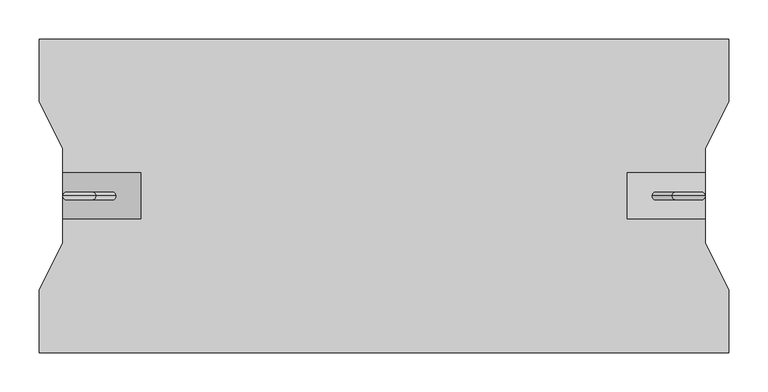
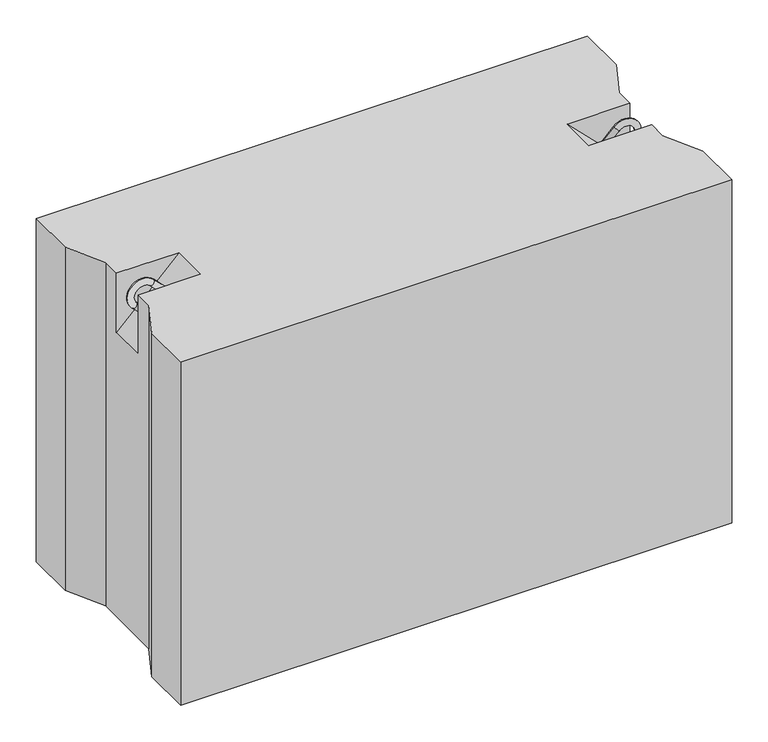
"""IFC4 building model written with IfcOpenShell, lengths in millimetres: proxy geometry."""

from ifc_helpers import new_model, si_unit, point, frame, origin, place, context, project, spatial, circle_curve, ellipse_curve, trimmed, faceted_brep, source, transform, mapped, element, save
from ifc_brep_helpers import plane_surface, cylinder_surface, revolved_surface, advanced_brep


def generic_models_39eb43d7(model_context):
    return source(origin(), model_context, "Body", "SolidModel", [
        advanced_brep(
        [(782.3223305, 0.0, 547.6776695), (789.3933983, 0.0, 540.6066017), (814.3933983, 0.0, 565.6066017), (807.3223305, 0.0, 572.6776695), (835.6066017, 0.0, 544.3933983), (842.6776695, 0.0, 537.3223305), (817.6776695, 0.0, 512.3223305), (810.6066017, 0.0, 519.3933983)],
        [
            (0, 1, circle_curve(frame((785.8578644, 0.0, 544.1421356), z_axis=(-0.7071067811865482, 0.0, -0.7071067811865468), x_axis=(0.7071067811865468, 0.0, -0.7071067811865482)), 5.0)),
            (1, 0, circle_curve(frame((785.8578644, 0.0, 544.1421356), z_axis=(-0.7071067811865482, 0.0, -0.7071067811865468), x_axis=(0.7071067811865468, 0.0, -0.7071067811865482)), 5.0)),
            (1, 2),
            (2, 3, circle_curve(frame((810.8578644, 0.0, 569.1421356), z_axis=(-0.7071067811865482, 0.0, -0.7071067811865468), x_axis=(0.7071067811865468, 0.0, -0.7071067811865482)), 5.0)),
            (3, 0),
            (3, 2, circle_curve(frame((810.8578644, 0.0, 569.1421356), z_axis=(-0.7071067811865482, 0.0, -0.7071067811865468), x_axis=(0.7071067811865468, 0.0, -0.7071067811865482)), 5.0)),
            (4, 5, circle_curve(frame((839.1421356, 0.0, 540.8578644), z_axis=(0.7071067811865457, 0.0, 0.7071067811865493), x_axis=(-0.7071067811865493, 0.0, 0.7071067811865457)), 5.0)),
            (5, 3, circle_curve(frame((825.0, 0.0, 555.0), z_axis=(0.0, -1.0, 0.0), x_axis=(-0.7071067811865468, 0.0, 0.7071067811865482)), 25.0)),
            (2, 4, circle_curve(frame((825.0, 0.0, 555.0), z_axis=(0.0, 1.0, 0.0), x_axis=(-0.7071067811865468, 0.0, 0.7071067811865482)), 15.0)),
            (5, 4, circle_curve(frame((839.1421356, 0.0, 540.8578644), z_axis=(0.7071067811865459, 0.0, 0.7071067811865491), x_axis=(-0.7071067811865491, 0.0, 0.7071067811865459)), 5.0)),
            (6, 7, circle_curve(frame((814.1421356, 0.0, 515.8578644), z_axis=(-0.7071067811865505, 0.0, -0.7071067811865446), x_axis=(-0.7071067811865446, 0.0, 0.7071067811865505)), 5.0)),
            (7, 6, circle_curve(frame((814.1421356, 0.0, 515.8578644), z_axis=(-0.7071067811865505, 0.0, -0.7071067811865446), x_axis=(-0.7071067811865446, 0.0, 0.7071067811865505)), 5.0)),
            (4, 7),
            (6, 5),
        ],
        [
            plane_surface(frame((782.3223305, 0.0, 547.6776695), z_axis=(-0.7071067811865482, 0.0, -0.7071067811865468), x_axis=(0.0, -1.0, 0.0))),
            cylinder_surface(frame((785.8578644, 0.0, 544.1421356), z_axis=(-0.7071067811865482, 0.0, -0.7071067811865468), x_axis=(0.7071067811865468, 0.0, -0.7071067811865482)), 5.0),
            revolved_surface(trimmed(ellipse_curve(frame((810.8578644, 0.0, 569.1421356), z_axis=(0.7071067811865482, 0.0, 0.7071067811865468), x_axis=(0.7071067811865468, 0.0, -0.7071067811865482)), 5.0, 5.0), [point((807.3223305, 0.0, 572.6776695))], [point((814.3933983, 0.0, 565.6066017))], True, "CARTESIAN"), (825.0, 0.0, 555.0), (0.0, -1.0, 0.0)),
            revolved_surface(trimmed(ellipse_curve(frame((810.8578644, 0.0, 569.1421356), z_axis=(0.7071067811865482, 0.0, 0.7071067811865468), x_axis=(0.7071067811865468, 0.0, -0.7071067811865482)), 5.0, 5.0), [point((814.3933983, 0.0, 565.6066017))], [point((807.3223305, 0.0, 572.6776695))], True, "CARTESIAN"), (825.0, 0.0, 555.0), (0.0, -1.0, 0.0)),
            plane_surface(frame((817.6776695, 0.0, 512.3223305), z_axis=(-0.7071067811865505, 0.0, -0.7071067811865446), x_axis=(0.0, -1.0, 0.0))),
            cylinder_surface(frame((839.1421356, 0.0, 540.8578644), z_axis=(0.7071067811865505, 0.0, 0.7071067811865446), x_axis=(-0.7071067811865446, 0.0, 0.7071067811865505)), 5.0),
        ],
        [
            (0, [[1, 2]]),
            (1, [[3, 4, 5, -2]]),
            (1, [[-5, 6, -3, -1]]),
            (2, [[7, 8, -4, 9]]),
            (3, [[10, -9, -6, -8]]),
            (4, [[11, 12]]),
            (5, [[13, -11, 14, -7]]),
            (5, [[-14, -12, -13, -10]]),
        ],
    ),
        advanced_brep(
        [(97.6776695, 0.0, 547.6776695), (90.6066017, 0.0, 540.6066017), (72.6776695, 0.0, 572.6776695), (65.6066017, 0.0, 565.6066017), (44.3933983, 0.0, 544.3933983), (37.3223305, 0.0, 537.3223305), (62.3223305, 0.0, 512.3223305), (69.3933983, 0.0, 519.3933983)],
        [
            (0, 1, circle_curve(frame((94.1421356, 0.0, 544.1421356), z_axis=(0.707106781186546, 0.0, -0.707106781186549), x_axis=(-0.707106781186549, 0.0, -0.707106781186546)), 5.0)),
            (1, 0, circle_curve(frame((94.1421356, 0.0, 544.1421356), z_axis=(0.707106781186546, 0.0, -0.707106781186549), x_axis=(-0.707106781186549, 0.0, -0.707106781186546)), 5.0)),
            (0, 2),
            (2, 3, circle_curve(frame((69.1421356, 0.0, 569.1421356), z_axis=(0.707106781186546, 0.0, -0.707106781186549), x_axis=(-0.707106781186549, 0.0, -0.707106781186546)), 5.0)),
            (3, 1),
            (3, 2, circle_curve(frame((69.1421356, 0.0, 569.1421356), z_axis=(0.707106781186546, 0.0, -0.707106781186549), x_axis=(-0.707106781186549, 0.0, -0.707106781186546)), 5.0)),
            (4, 3, circle_curve(frame((55.0, 0.0, 555.0), z_axis=(0.0, 1.0, 0.0), x_axis=(0.707106781186549, 0.0, 0.707106781186546)), 15.0)),
            (2, 5, circle_curve(frame((55.0, 0.0, 555.0), z_axis=(0.0, -1.0, 0.0), x_axis=(0.707106781186549, 0.0, 0.707106781186546)), 25.0)),
            (5, 4, circle_curve(frame((40.8578644, 0.0, 540.8578644), z_axis=(-0.7071067811865437, 0.0, 0.7071067811865513), x_axis=(0.7071067811865513, 0.0, 0.7071067811865437)), 5.0)),
            (4, 5, circle_curve(frame((40.8578644, 0.0, 540.8578644), z_axis=(-0.7071067811865437, 0.0, 0.7071067811865513), x_axis=(0.7071067811865513, 0.0, 0.7071067811865437)), 5.0)),
            (6, 7, circle_curve(frame((65.8578644, 0.0, 515.8578644), z_axis=(0.7071067811865482, 0.0, -0.7071067811865468), x_axis=(0.7071067811865468, 0.0, 0.7071067811865482)), 5.0)),
            (7, 6, circle_curve(frame((65.8578644, 0.0, 515.8578644), z_axis=(0.7071067811865482, 0.0, -0.7071067811865468), x_axis=(0.7071067811865468, 0.0, 0.7071067811865482)), 5.0)),
            (5, 6),
            (7, 4),
        ],
        [
            plane_surface(frame((97.6776695, 0.0, 547.6776695), z_axis=(0.707106781186546, 0.0, -0.707106781186549), x_axis=(0.0, -1.0, 0.0))),
            cylinder_surface(frame((94.1421356, 0.0, 544.1421356), z_axis=(0.707106781186546, 0.0, -0.707106781186549), x_axis=(-0.707106781186549, 0.0, -0.707106781186546)), 5.0),
            revolved_surface(trimmed(ellipse_curve(frame((69.1421356, 0.0, 569.1421356), z_axis=(0.707106781186546, 0.0, -0.707106781186549), x_axis=(-0.707106781186549, 0.0, -0.707106781186546)), 5.0, 5.0), [point((72.6776695, 0.0, 572.6776695))], [point((65.6066017, 0.0, 565.6066017))], True, "CARTESIAN"), (55.0, 0.0, 555.0), (0.0, -1.0, 0.0)),
            revolved_surface(trimmed(ellipse_curve(frame((69.1421356, 0.0, 569.1421356), z_axis=(0.707106781186546, 0.0, -0.707106781186549), x_axis=(-0.707106781186549, 0.0, -0.707106781186546)), 5.0, 5.0), [point((65.6066017, 0.0, 565.6066017))], [point((72.6776695, 0.0, 572.6776695))], True, "CARTESIAN"), (55.0, 0.0, 555.0), (0.0, -1.0, 0.0)),
            plane_surface(frame((62.3223305, 0.0, 512.3223305), z_axis=(0.7071067811865482, 0.0, -0.7071067811865468), x_axis=(0.0, -1.0, 0.0))),
            cylinder_surface(frame((40.8578644, 0.0, 540.8578644), z_axis=(-0.7071067811865482, 0.0, 0.7071067811865468), x_axis=(0.7071067811865468, 0.0, 0.7071067811865482)), 5.0),
        ],
        [
            (0, [[1, 2]]),
            (1, [[-1, 3, 4, 5]]),
            (1, [[-2, -5, 6, -3]]),
            (2, [[7, -4, 8, 9]]),
            (3, [[-8, -6, -7, 10]]),
            (4, [[11, 12]]),
            (5, [[-9, 13, -12, 14]]),
            (5, [[-10, -14, -11, -13]]),
        ],
    ),
        faceted_brep([(880.0, 200.0, 580.0), (0.0, 200.0, 580.0), (0.0, 120.0, 580.0), (30.0, 60.0, 580.0), (30.0, 30.0, 580.0), (130.0, 30.0, 580.0), (130.0, -30.0, 580.0), (30.0, -30.0, 580.0), (30.0, -60.0, 580.0), (0.0, -120.0, 580.0), (0.0, -200.0, 580.0), (880.0, -200.0, 580.0), (880.0, -120.0, 580.0), (850.0, -60.0, 580.0), (850.0, -30.0, 580.0), (750.0, -30.0, 580.0), (750.0, 30.0, 580.0), (850.0, 30.0, 580.0), (850.0, 60.0, 580.0), (880.0, 120.0, 580.0), (880.0, 200.0, 0.0), (880.0, 120.0, 0.0), (850.0, 60.0, 0.0), (850.0, -60.0, 0.0), (880.0, -120.0, 0.0), (880.0, -200.0, 0.0), (0.0, -200.0, 0.0), (0.0, -120.0, 0.0), (30.0, -60.0, 0.0), (30.0, 60.0, 0.0), (0.0, 120.0, 0.0), (0.0, 200.0, 0.0), (30.0, -30.0, 480.0), (30.0, 30.0, 480.0), (850.0, 30.0, 480.0), (850.0, -30.0, 480.0)], [[[0, 1, 2, 3, 4, 5, 6, 7, 8, 9, 10, 11, 12, 13, 14, 15, 16, 17, 18, 19]], [[20, 21, 22, 23, 24, 25, 26, 27, 28, 29, 30, 31]], [[1, 0, 20, 31]], [[10, 9, 27, 26]], [[11, 10, 26, 25]], [[0, 19, 21, 20]], [[2, 1, 31, 30]], [[3, 2, 30, 29]], [[29, 28, 8, 7, 32, 33, 4, 3]], [[9, 8, 28, 27]], [[12, 11, 25, 24]], [[13, 12, 24, 23]], [[23, 22, 18, 17, 34, 35, 14, 13]], [[19, 18, 22, 21]], [[6, 32, 7]], [[35, 15, 14]], [[33, 5, 4]], [[16, 34, 17]], [[32, 6, 5, 33]], [[15, 35, 34, 16]]]),
    ])


if __name__ == "__main__":
    model = new_model("IFC4")
    model_context = context("Model", 3, world=origin())
    ifc_project = project(units=[si_unit("LENGTHUNIT", "METRE", prefix="MILLI")], contexts=[model_context])
    site = spatial("IfcSite", under=ifc_project)
    building = spatial("IfcBuilding", under=site)
    placement = place(None, origin())
    generic_models_shape = generic_models_39eb43d7(model_context)
    element("IfcBuildingElementProxy", 1, Name="Generic Models", at=placement, inside=building, context=model_context, shape_type="MappedRepresentation", body=[
        mapped(generic_models_shape, transform((0.0, 0.0, 0.0), x_axis=(1.0, 0.0, 0.0), y_axis=(0.0, 1.0, 0.0), z_axis=(0.0, 0.0, 1.0))),
    ])
    save(model, "model.ifc")
